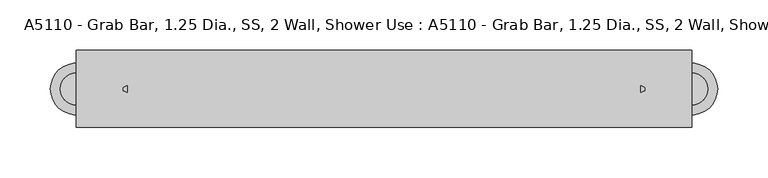
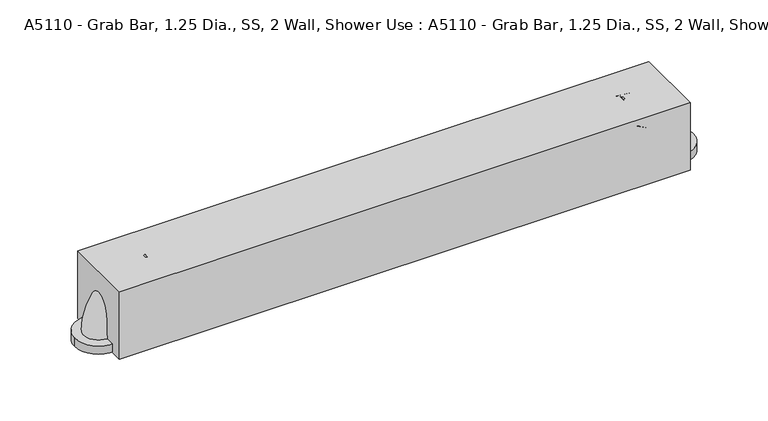
"""IFC4 building model written with IfcOpenShell, lengths in millimetres: proxy geometry, A5110 - Grab Bar, 1.25 Dia., SS, 2 Wall, Shower Use : A5110 - Grab Bar, 1.25 Dia., SS, 2 Wall, Shower Use."""

from ifc_helpers import new_model, si_unit, point, frame, frame_2d, origin, origin_with_axes, place, context, project, spatial, polyline, circle_curve, ellipse_curve, trimmed, segment, composite_curve, outline, extrude, source, transform, mapped, element, save
from ifc_brep_helpers import plane_surface, revolved_surface, advanced_brep


def a5110_grab_bar_1_25_dia_ss_2_wall_shower_use_a5110_grab_bar_2feb36a9(model_context):
    return source(origin(), model_context, "Body", "SolidModel", [
        advanced_brep(
        [(254.0, 15.875, 60.325), (254.0, -15.875, 60.325), (304.8, 15.875, 9.525), (304.8, -15.875, 9.525)],
        [
            (0, 1, circle_curve(frame((254.0, 0.0, 60.325), z_axis=(-1.0, 0.0, 0.0), x_axis=(0.0, -1.0, 0.0)), 15.875)),
            (1, 0, circle_curve(frame((254.0, 0.0, 60.325), z_axis=(-1.0, 0.0, 0.0), x_axis=(0.0, -1.0, 0.0)), 15.875)),
            (2, 3, circle_curve(frame((304.8, 0.0, 9.525), z_axis=(0.0, 0.0, -1.0), x_axis=(0.0, -1.0, 0.0)), 15.875)),
            (3, 2, circle_curve(frame((304.8, 0.0, 9.525), z_axis=(0.0, 0.0, -1.0), x_axis=(0.0, -1.0, 0.0)), 15.875)),
            (2, 0, circle_curve(frame((254.0, 15.875, 9.525), z_axis=(0.0, -1.0, 0.0), x_axis=(0.0, 0.0, 1.0)), 50.8)),
            (1, 3, circle_curve(frame((254.0, -15.875, 9.525), z_axis=(0.0, 1.0, 0.0), x_axis=(0.0, 0.0, 1.0)), 50.8)),
        ],
        [
            plane_surface(frame((254.0, 0.0, 60.325), z_axis=(-1.0, 0.0, 0.0), x_axis=(0.0, -1.0, 0.0))),
            plane_surface(frame((304.8, 0.0, 9.525), z_axis=(0.0, 0.0, -1.0), x_axis=(0.0, -1.0, 0.0))),
            revolved_surface(trimmed(ellipse_curve(frame((254.0, 0.0, 60.325), z_axis=(1.0, 0.0, 0.0), x_axis=(0.0, -1.0, 0.0)), 15.875, 15.875), [point((254.0, 15.875, 60.325))], [point((254.0, -15.875, 60.325))], True, "CARTESIAN"), (254.0, 0.0, 9.525), (0.0, -1.0, 0.0)),
            revolved_surface(trimmed(ellipse_curve(frame((254.0, 0.0, 60.325), z_axis=(1.0, 0.0, 0.0), x_axis=(0.0, -1.0, 0.0)), 15.875, 15.875), [point((254.0, -15.875, 60.325))], [point((254.0, 15.875, 60.325))], True, "CARTESIAN"), (254.0, 0.0, 9.525), (0.0, -1.0, 0.0)),
        ],
        [
            (0, [[1, 2]]),
            (1, [[3, 4]]),
            (2, [[-3, 5, -2, 6]]),
            (3, [[-4, -6, -1, -5]]),
        ],
    ),
        extrude(outline(composite_curve([segment(trimmed(circle_curve(frame_2d((304.8, 0.0)), 25.4), [point((330.2, 0.0))], [point((279.4, 0.0))], False, "CARTESIAN"), True, "CONTINUOUS"), segment(trimmed(circle_curve(frame_2d((304.8, 0.0)), 25.4), [point((279.4, 0.0))], [point((330.2, 0.0))], False, "CARTESIAN"), True, "CONTINUOUS")], self_intersect=False)), origin_with_axes(), (0.0, 0.0, 1.0), 9.525),
        advanced_brep(
        [(-254.0, 15.875, 60.325), (-254.0, -15.875, 60.325), (-304.8, 15.875, 9.525), (-304.8, -15.875, 9.525)],
        [
            (0, 1, circle_curve(frame((-254.0, 0.0, 60.325), z_axis=(1.0, 0.0, 0.0), x_axis=(0.0, -1.0, 0.0)), 15.875)),
            (1, 0, circle_curve(frame((-254.0, 0.0, 60.325), z_axis=(1.0, 0.0, 0.0), x_axis=(0.0, -1.0, 0.0)), 15.875)),
            (2, 3, circle_curve(frame((-304.8, 0.0, 9.525), z_axis=(0.0, 0.0, -1.0), x_axis=(0.0, -1.0, 0.0)), 15.875)),
            (3, 2, circle_curve(frame((-304.8, 0.0, 9.525), z_axis=(0.0, 0.0, -1.0), x_axis=(0.0, -1.0, 0.0)), 15.875)),
            (3, 1, circle_curve(frame((-254.0, -15.875, 9.525), z_axis=(0.0, 1.0, 0.0), x_axis=(0.0, 0.0, 1.0)), 50.8)),
            (0, 2, circle_curve(frame((-254.0, 15.875, 9.525), z_axis=(0.0, -1.0, 0.0), x_axis=(0.0, 0.0, 1.0)), 50.8)),
        ],
        [
            plane_surface(frame((-254.0, 0.0, 60.325), z_axis=(1.0, 0.0, 0.0), x_axis=(0.0, -1.0, 0.0))),
            plane_surface(frame((-304.8, 0.0, 9.525), z_axis=(0.0, 0.0, -1.0), x_axis=(0.0, -1.0, 0.0))),
            revolved_surface(trimmed(ellipse_curve(frame((-254.0, 0.0, 60.325), z_axis=(1.0, 0.0, 0.0), x_axis=(0.0, -1.0, 0.0)), 15.875, 15.875), [point((-254.0, 15.875, 60.325))], [point((-254.0, -15.875, 60.325))], True, "CARTESIAN"), (-254.0, 0.0, 9.525), (0.0, -1.0, 0.0)),
            revolved_surface(trimmed(ellipse_curve(frame((-254.0, 0.0, 60.325), z_axis=(1.0, 0.0, 0.0), x_axis=(0.0, -1.0, 0.0)), 15.875, 15.875), [point((-254.0, -15.875, 60.325))], [point((-254.0, 15.875, 60.325))], True, "CARTESIAN"), (-254.0, 0.0, 9.525), (0.0, -1.0, 0.0)),
        ],
        [
            (0, [[1, 2]]),
            (1, [[3, 4]]),
            (2, [[5, -1, 6, -4]]),
            (3, [[-6, -2, -5, -3]]),
        ],
    ),
        extrude(outline(composite_curve([segment(trimmed(circle_curve(frame_2d((-304.8, 0.0)), 25.4), [point((-330.2, 0.0))], [point((-279.4, 0.0))], False, "CARTESIAN"), True, "CONTINUOUS"), segment(trimmed(circle_curve(frame_2d((-304.8, 0.0)), 25.4), [point((-279.4, 0.0))], [point((-330.2, 0.0))], False, "CARTESIAN"), True, "CONTINUOUS")], self_intersect=False)), origin_with_axes(), (0.0, 0.0, 1.0), 9.525),
        extrude(outline(polyline([(304.8, -38.1), (-304.8, -38.1), (-304.8, 38.1), (304.8, 38.1), (304.8, -38.1)])), origin_with_axes(), (0.0, 0.0, 1.0), 76.2),
        extrude(outline(composite_curve([segment(trimmed(circle_curve(frame_2d((0.0, 60.325)), 15.875), [point((-15.875, 60.325))], [point((15.875, 60.325))], False, "CARTESIAN"), True, "CONTINUOUS"), segment(trimmed(circle_curve(frame_2d((0.0, 60.325)), 15.875), [point((15.875, 60.325))], [point((-15.875, 60.325))], False, "CARTESIAN"), True, "CONTINUOUS")], self_intersect=False)), frame((-254.0, 0.0, 0.0), z_axis=(1.0, 0.0, 0.0), x_axis=(0.0, 1.0, 0.0)), (0.0, 0.0, 1.0), 508.0),
    ])


if __name__ == "__main__":
    model = new_model("IFC4")
    model_context = context("Model", 3, world=origin())
    ifc_project = project(units=[si_unit("LENGTHUNIT", "METRE", prefix="MILLI")], contexts=[model_context])
    site = spatial("IfcSite", under=ifc_project)
    building = spatial("IfcBuilding", under=site)
    placement = place(None, origin())
    a5110_grab_bar_1_25_dia_ss_2_wall_shower_use_a5110_grab_bar_shape = a5110_grab_bar_1_25_dia_ss_2_wall_shower_use_a5110_grab_bar_2feb36a9(model_context)
    element("IfcBuildingElementProxy", 1, Name="A5110 - Grab Bar, 1.25 Dia., SS, 2 Wall, Shower Use : A5110 - Grab Bar, 1.25 Dia., SS, 2 Wall, Shower Use", ObjectType="A5110 - Grab Bar, 1.25 Dia., SS, 2 Wall, Shower Use : A5110 - Grab Bar, 1.25 Dia., SS, 2 Wall, Shower Use", at=placement, inside=building, context=model_context, shape_type="MappedRepresentation", body=[
        mapped(a5110_grab_bar_1_25_dia_ss_2_wall_shower_use_a5110_grab_bar_shape, transform((0.0, 0.0, 0.0), x_axis=(1.0, 0.0, 0.0), y_axis=(0.0, 1.0, 0.0), z_axis=(0.0, 0.0, 1.0))),
    ])
    save(model, "model.ifc")
